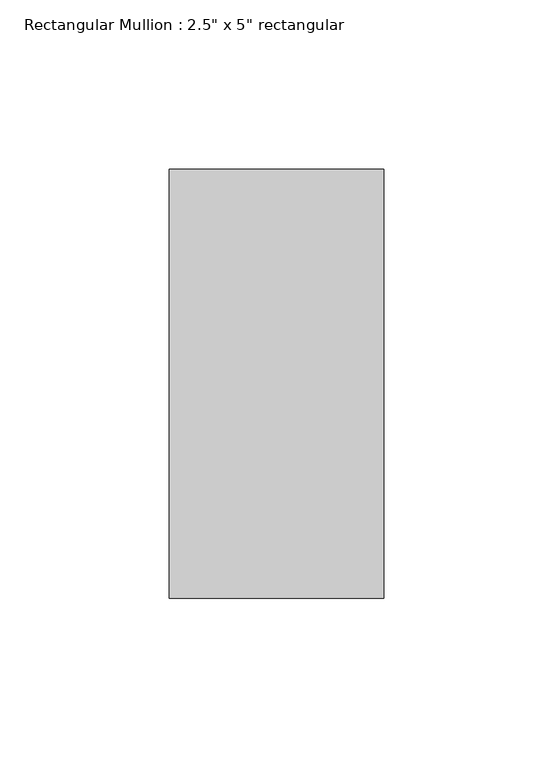
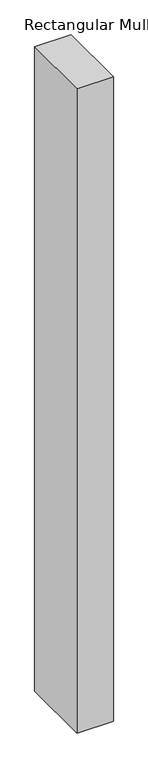
"""IFC4 building model written with IfcOpenShell, lengths in millimetres: member geometry."""

from ifc_helpers import new_model, si_unit, frame, origin, place, context, project, spatial, polyline, outline, extrude, source, transform, mapped, element, save


def member_62067397(model_context):
    return source(origin(), model_context, "Body", "SweptSolid", [
        extrude(outline(polyline([(0.0, 63.5), (0.0, -63.5), (-63.5, -63.5), (-63.5, 63.5), (0.0, 63.5)])), frame((0.0, 0.0, -1185.0293935), z_axis=(0.0, 0.0, 1.0), x_axis=(1.0, 0.0, 0.0)), (0.0, 0.0, 1.0), 1185.0293935),
    ])


if __name__ == "__main__":
    model = new_model("IFC4")
    model_context = context("Model", 3, world=origin())
    ifc_project = project(units=[si_unit("LENGTHUNIT", "METRE", prefix="MILLI")], contexts=[model_context])
    site = spatial("IfcSite", under=ifc_project)
    building = spatial("IfcBuilding", under=site)
    placement = place(None, origin())
    member_shape = member_62067397(model_context)
    element("IfcMember", 1, ObjectType="Rectangular Mullion : 2.5\" x 5\" rectangular", at=placement, inside=building, context=model_context, shape_type="MappedRepresentation", body=[
        mapped(member_shape, transform((0.0, 0.0, 0.0), x_axis=(1.0, 0.0, 0.0), y_axis=(0.0, 1.0, 0.0), z_axis=(0.0, 0.0, 1.0))),
    ])
    save(model, "model.ifc")
